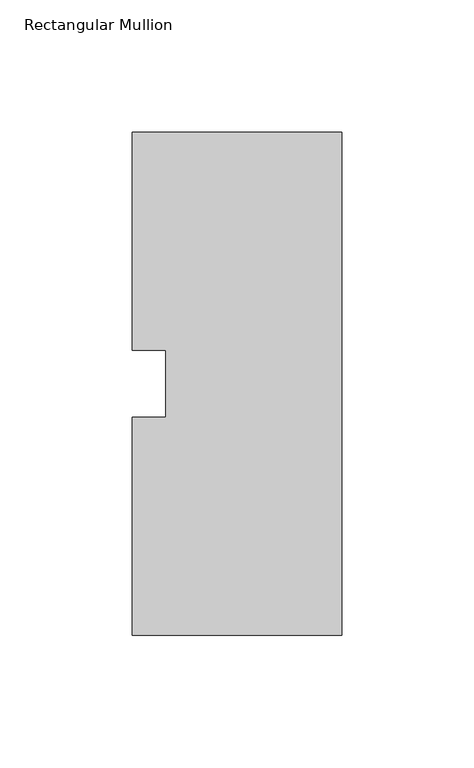
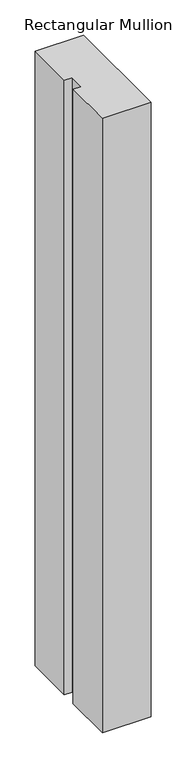
"""IFC4 building model written with IfcOpenShell, lengths in millimetres: member geometry, Rectangular Mullion."""

from ifc_helpers import new_model, si_unit, frame, origin, place, context, project, spatial, polyline, outline, extrude, source, transform, mapped, element, save


def rectangular_mullion_41dd6e01(model_context):
    return source(origin(), model_context, "Body", "SweptSolid", [
        extrude(outline(polyline([(-79.375, 95.25), (0.0, 95.25), (0.0, -95.25), (-79.375, -95.25), (-79.375, -12.7), (-66.6732296, -12.7), (-66.6732296, 12.7), (-79.375, 12.7), (-79.375, 95.25)])), frame((0.0, 0.0, -1062.4655973), z_axis=(0.0, 0.0, 1.0), x_axis=(1.0, 0.0, 0.0)), (0.0, 0.0, 1.0), 1062.4655973),
    ])


if __name__ == "__main__":
    model = new_model("IFC4")
    model_context = context("Model", 3, world=origin())
    ifc_project = project(units=[si_unit("LENGTHUNIT", "METRE", prefix="MILLI")], contexts=[model_context])
    site = spatial("IfcSite", under=ifc_project)
    building = spatial("IfcBuilding", under=site)
    placement = place(None, origin())
    rectangular_mullion_shape = rectangular_mullion_41dd6e01(model_context)
    element("IfcMember", 1, ObjectType="Rectangular Mullion", at=placement, inside=building, context=model_context, shape_type="MappedRepresentation", body=[
        mapped(rectangular_mullion_shape, transform((0.0, 0.0, 0.0), x_axis=(1.0, 0.0, 0.0), y_axis=(0.0, 1.0, 0.0), z_axis=(0.0, 0.0, 1.0))),
    ])
    save(model, "model.ifc")
